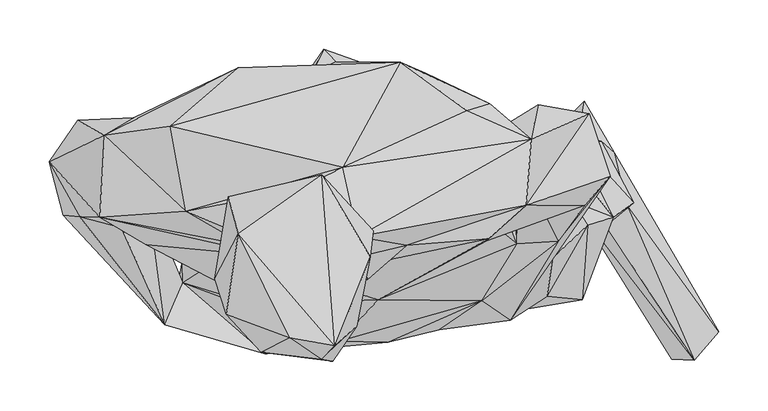
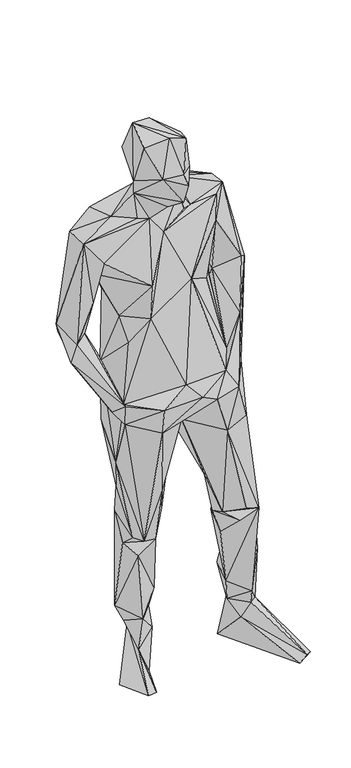
"""IFC4 building model written with IfcOpenShell, lengths in millimetres: geographic element geometry."""

from ifc_helpers import new_model, si_unit, origin, place, context, project, spatial, faceted_brep, source, transform, mapped, element, save


def geographic_element_a4f21ee1(model_context):
    return source(origin(), model_context, "Body", "Brep", [
        faceted_brep([(-43.8297386, -114.8015023, 1018.3272236), (101.6207623, -73.4053469, 990.178394), (-3.6756191, -72.394549, 1324.2982462), (137.7135349, -15.1780842, 1015.2736777), (179.6216346, -12.8313441, 1113.0208832), (6.1374762, -115.6032742, 961.5379453), (130.8601184, -93.6121631, 940.8665779), (58.5827038, -103.0385109, 929.2399172), (139.7603733, 67.9020128, 1224.1649476), (206.7818467, 24.05511, 1267.86445), (232.9544843, 53.6115275, 1240.9182634), (174.1001435, -29.7715046, 974.8105286), (96.6142479, -90.5757386, 806.2197466), (168.5594448, -68.8047624, 818.3786172), (211.4621971, 117.1482414, 1193.0444093), (147.1469384, 23.62393, 1529.4462253), (210.1100955, 80.4758658, 1116.519795), (106.8494381, -12.5142716, 1439.5946086), (107.4603634, 67.3738933, 1309.2069464), (109.1527553, -10.2331656, 1524.0217259), (95.5600354, 18.2064322, 1237.6203384), (-131.2074794, -77.1758845, 1241.1192502), (-77.2798946, -49.5067531, 1490.4019648), (25.2607927, -16.8139374, 1524.4023611), (-125.868751, -76.3710802, 1345.5846143), (-108.3540232, -28.5415851, 1532.7080299), (-17.3905248, -27.0147916, 1587.5230831), (-14.8882771, -51.9433648, 1543.5560751), (-24.0753067, -8.4064639, 1628.7951268), (-74.4827828, -67.6849104, 1580.8626218), (-144.6436924, -5.9143132, 1612.5727693), (-47.7123627, -107.011004, 1609.9937955), (-123.2796594, -126.4382734, 1722.2355391), (-25.6495622, -99.4254934, 1714.9883297), (-49.9964984, -135.5051233, 1681.5522701), (-11.901331, -28.759699, 1780.690052), (-47.940574, -119.6040347, 1825.9566797), (-8.7043502, -2.3760253, 1708.1177024), (-61.9604394, -133.0816431, 1721.4730765), (-93.9060065, -111.3237948, 1837.68139), (-61.421211, 54.6374724, 1791.8835657), (-146.6703397, -5.3690294, 1842.7039157), (-83.22551, 40.1621977, 1655.3140674), (-156.7045729, 32.5423587, 1745.0597071), (-158.9594166, -87.4999304, 1813.719131), (-170.8132902, -51.1304879, 1689.425686), (-200.2364074, 17.8065577, 1542.458396), (-139.7724879, -17.0360895, 1535.5706025), (-287.9807019, 11.5681019, 1486.1012514), (-39.86128, 62.4835036, 1605.2378218), (-216.1940608, 104.339114, 1526.2937357), (-283.1458712, 95.2298406, 1475.5328711), (18.5416804, 169.7287688, 1424.9517742), (-146.7066836, 164.0881131, 1407.2450225), (-310.4343078, 110.6341095, 1152.3581601), (-339.6514612, 68.3251164, 1210.8609527), (-253.1734078, 112.9919649, 1415.8848349), (-186.3569147, 91.2068549, 1260.245546), (-175.338132, 103.8968252, 1108.3404881), (-217.4411389, 80.4516291, 1322.5897387), (-178.8602747, 10.6320305, 1214.6365492), (-206.0386364, 64.4919715, 1047.2606291), (-46.9247283, 170.2235767, 1094.8195322), (76.6881546, 132.2738214, 948.5530736), (-149.2230725, 111.8559525, 871.1408865), (-206.5082018, 58.3716586, 860.360433), (-102.846651, 119.6595788, 856.9059266), (-105.1055403, 102.517462, 635.4559581), (-198.1421238, -2.5921194, 751.8105414), (-141.677959, 93.0163923, 599.3106887), (33.5975807, 89.0327905, 803.8760324), (-12.5173003, 34.5548573, 819.0107244), (-54.6718047, 108.0409871, 493.2297109), (-113.1464601, 123.9138081, 505.1552591), (-136.9541718, 10.6320305, 477.012539), (-141.1387307, 101.925722, 512.0177802), (-54.2951555, 165.1898006, 216.4152089), (-133.5299893, 113.2444055, 194.1150999), (-147.0641476, 47.6406658, 442.2264641), (-108.7771194, -0.178732, 462.396914), (-60.0075118, 23.1089403, 439.836288), (-112.8344373, 23.6835086, 402.5974224), (-118.5377077, -116.7079792, 887.8205309), (-71.353457, -30.8307703, 633.7918561), (-211.3541488, -75.6561598, 924.2980962), (-7.6996138, -25.4445743, 840.1324049), (-26.1251681, -3.478711, 789.9894617), (-27.9044114, 46.7157023, 515.2793463), (-37.3650896, 95.4540062, 418.1107529), (-24.4368088, 92.9527718, 226.5877696), (-39.3755729, 138.5465992, 112.9647032), (-28.1225253, 115.270047, 155.1495026), (-80.8080797, 51.8454158, 168.0242697), (-39.7239509, 76.3902729, 113.1868497), (-105.8204683, 114.7893802, 134.2550202), (-103.4999775, 37.5519018, 85.7964222), (-86.7860083, 127.4844094, 110.396816), (-25.0497476, 147.8184592, 95.431796), (-70.3557945, 38.3496317, 2.8819278), (-101.2633058, -54.8646741, 0.0), (-143.9045352, -86.925364, 23.0392643), (-170.408366, 22.8706316, 1.8923379), (-59.4834305, 183.1296362, 6.0577029), (-12.0931909, 166.4500067, 2.983916), (105.2236842, -48.3051085, 512.2268137), (100.1485052, 38.897946, 584.321432), (204.3018167, -72.4702841, 505.6359705), (161.5020613, -79.1803067, 523.4858925), (209.8920021, 3.5029456, 635.6437724), (172.8439608, 60.9385326, 822.919597), (236.0353292, 11.916478, 481.5091133), (189.8033148, 29.8300736, 606.2843129), (159.4047378, 114.6853701, 1168.7004422), (130.4683222, 67.2022319, 1015.8755654), (159.3380849, 126.4705791, 1233.7245789), (106.3546451, 93.4960309, 1340.3700424), (44.7274366, 158.4969441, 1334.4486787), (109.9494831, 127.2067114, 1476.9092616), (152.0716678, 91.0452891, 1514.4065431), (86.3346372, 120.1856718, 1530.5399706), (98.4954822, 94.8804531, 786.2462304), (113.8815791, 18.4063686, 474.8607219), (139.2433626, 48.7504223, 533.7716275), (204.4411723, 51.6636551, 503.366941), (192.9841465, 96.370897, 308.2915208), (131.6830947, 57.9293736, 446.3978653), (224.1158309, -0.3958359, 184.2767573), (257.0277421, 26.7128643, 296.8254351), (249.2705851, 25.5667583, 139.8249996), (154.4567775, 17.2602625, 231.1631115), (171.3080832, 41.66476, 153.2783638), (225.4154058, 7.8440131, 141.4063257), (223.5614481, 89.5699922, 226.5988858), (167.6425764, 87.9987616, 245.8322614), (199.7608071, 89.7446785, 132.1051849), (237.097618, 77.6726966, 148.5515517), (200.906915, 18.8809687, 96.6728169), (318.3500131, -134.2489554, 23.95918), (173.3508834, 96.7778328, 3.1464914), (295.5954932, -133.1654622, 4.4218506), (206.4889942, 130.0846024, 10.0514049), (343.8006597, -104.9752744, 6.7211319), (129.9230291, 3.9876429, 408.1582973), (147.2529751, -70.9667123, 484.7434699), (-119.571729, -127.6035591, 968.1853532), (-221.7054638, -97.7734911, 999.3867155), (-203.1587337, -55.3009019, 973.7644075), (-177.8949179, -38.9595437, 1158.6177206), (-240.4693037, -16.5210998, 1422.5251499), (-247.3146438, -69.3359068, 972.5526451), (-325.3266175, 13.7431806, 1109.5845562), (-297.4595689, 39.2937804, 1067.6027404), (-238.197279, 28.2255221, 1107.3922974), (-276.7145301, 24.9164567, 1184.0319487), (-308.0875835, 12.0083688, 1163.6857843), (-238.3224935, 65.1331834, 1078.4599648), (-260.6700627, 99.7385296, 1159.8799085), (-265.5473319, 0.6422236, 1292.1628792)], [[[0, 1, 2]], [[3, 2, 1]], [[1, 4, 3]], [[1, 0, 5]], [[6, 1, 7]], [[6, 4, 1]], [[1, 5, 7]], [[3, 4, 8]], [[9, 8, 4]], [[10, 9, 4]], [[6, 10, 4]], [[6, 11, 10]], [[7, 12, 6]], [[13, 11, 6]], [[6, 12, 13]], [[10, 14, 15]], [[16, 10, 11]], [[10, 15, 9]], [[16, 14, 10]], [[9, 17, 8]], [[15, 17, 9]], [[17, 18, 8]], [[19, 2, 17]], [[20, 17, 2]], [[17, 15, 19]], [[18, 17, 20]], [[3, 20, 2]], [[21, 0, 2]], [[22, 21, 2]], [[19, 22, 2]], [[19, 23, 22]], [[19, 15, 23]], [[24, 22, 25]], [[25, 22, 26]], [[24, 21, 22]], [[22, 23, 27]], [[27, 26, 22]], [[28, 23, 15]], [[26, 23, 28]], [[27, 23, 26]], [[29, 25, 26]], [[29, 26, 28]], [[29, 30, 25]], [[28, 31, 29]], [[29, 31, 30]], [[31, 32, 30]], [[28, 33, 31]], [[31, 33, 34]], [[31, 34, 32]], [[33, 35, 36]], [[37, 33, 28]], [[35, 33, 37]], [[34, 33, 38]], [[33, 36, 38]], [[34, 38, 32]], [[32, 38, 39]], [[39, 38, 36]], [[35, 40, 36]], [[41, 36, 40]], [[41, 39, 36]], [[40, 35, 37]], [[40, 37, 42]], [[37, 28, 42]], [[43, 41, 40]], [[43, 40, 42]], [[44, 39, 41]], [[45, 44, 41]], [[43, 45, 41]], [[32, 39, 44]], [[32, 44, 45]], [[43, 42, 45]], [[45, 42, 30]], [[32, 45, 30]], [[46, 47, 30]], [[46, 30, 42]], [[47, 25, 30]], [[47, 46, 48]], [[48, 25, 47]], [[46, 49, 50]], [[48, 46, 51]], [[46, 42, 49]], [[46, 50, 51]], [[49, 52, 50]], [[52, 53, 50]], [[53, 51, 50]], [[51, 54, 55]], [[51, 55, 48]], [[56, 51, 53]], [[51, 56, 54]], [[53, 57, 56]], [[53, 58, 57]], [[53, 52, 58]], [[54, 56, 59]], [[57, 59, 56]], [[59, 57, 60]], [[61, 60, 57]], [[57, 58, 61]], [[58, 52, 62]], [[61, 58, 62]], [[62, 63, 64]], [[62, 64, 61]], [[52, 63, 62]], [[64, 65, 61]], [[63, 66, 64]], [[65, 64, 66]], [[66, 67, 65]], [[65, 68, 61]], [[65, 69, 68]], [[69, 65, 67]], [[70, 66, 63]], [[67, 66, 71]], [[70, 71, 66]], [[72, 67, 71]], [[67, 72, 73]], [[67, 73, 69]], [[69, 74, 68]], [[75, 74, 69]], [[75, 69, 73]], [[73, 72, 76]], [[73, 76, 75]], [[77, 75, 76]], [[78, 75, 77]], [[75, 78, 74]], [[74, 78, 79]], [[79, 68, 74]], [[79, 78, 80]], [[81, 78, 77]], [[80, 78, 81]], [[82, 79, 83]], [[68, 79, 84]], [[82, 84, 79]], [[83, 79, 80]], [[82, 83, 85]], [[83, 86, 85]], [[86, 83, 87]], [[80, 87, 83]], [[72, 86, 87]], [[71, 86, 72]], [[85, 86, 71]], [[87, 80, 88]], [[87, 88, 72]], [[72, 88, 76]], [[88, 89, 76]], [[80, 89, 88]], [[90, 76, 91]], [[90, 77, 76]], [[89, 91, 76]], [[80, 81, 89]], [[89, 81, 92]], [[91, 89, 92]], [[90, 91, 93]], [[91, 92, 93]], [[81, 77, 92]], [[77, 94, 92]], [[92, 95, 93]], [[94, 95, 92]], [[94, 77, 90]], [[96, 95, 94]], [[96, 94, 90]], [[90, 97, 96]], [[97, 90, 93]], [[97, 93, 98]], [[95, 98, 93]], [[98, 95, 99]], [[95, 96, 100]], [[95, 100, 99]], [[101, 96, 102]], [[102, 96, 97]], [[100, 96, 101]], [[102, 97, 103]], [[103, 97, 98]], [[102, 98, 101]], [[103, 98, 102]], [[98, 100, 101]], [[98, 99, 100]], [[85, 104, 12]], [[7, 82, 85]], [[85, 105, 104]], [[71, 105, 85]], [[7, 85, 12]], [[12, 106, 13]], [[12, 107, 106]], [[12, 104, 107]], [[13, 108, 11]], [[106, 108, 13]], [[109, 11, 108]], [[110, 108, 106]], [[111, 108, 110]], [[111, 109, 108]], [[3, 11, 109]], [[16, 11, 3]], [[112, 16, 3]], [[112, 3, 8]], [[113, 18, 3]], [[109, 113, 3]], [[3, 18, 20]], [[112, 14, 16]], [[8, 114, 112]], [[114, 14, 112]], [[115, 8, 18]], [[115, 114, 8]], [[113, 116, 18]], [[115, 18, 116]], [[63, 116, 113]], [[63, 113, 109]], [[52, 117, 116]], [[52, 116, 63]], [[117, 115, 116]], [[115, 118, 114]], [[117, 118, 115]], [[114, 118, 14]], [[15, 14, 118]], [[49, 118, 119]], [[118, 28, 15]], [[49, 28, 118]], [[119, 118, 117]], [[119, 117, 52]], [[119, 52, 49]], [[49, 42, 28]], [[70, 63, 109]], [[70, 105, 71]], [[109, 120, 70]], [[120, 105, 70]], [[111, 105, 120]], [[105, 121, 104]], [[111, 122, 105]], [[105, 122, 121]], [[120, 109, 111]], [[123, 122, 111]], [[123, 111, 110]], [[124, 122, 123]], [[122, 124, 125]], [[121, 122, 125]], [[124, 123, 110]], [[126, 110, 106]], [[110, 126, 127]], [[127, 124, 110]], [[128, 127, 126]], [[106, 129, 126]], [[126, 129, 130]], [[126, 130, 131]], [[131, 128, 126]], [[132, 127, 128]], [[124, 127, 132]], [[133, 132, 134]], [[132, 135, 134]], [[132, 133, 124]], [[135, 132, 128]], [[124, 133, 129]], [[134, 130, 133]], [[130, 129, 133]], [[134, 136, 130]], [[131, 130, 136]], [[128, 131, 137]], [[131, 136, 137]], [[136, 138, 139]], [[134, 138, 136]], [[139, 137, 136]], [[135, 140, 134]], [[140, 138, 134]], [[140, 135, 141]], [[141, 135, 128]], [[141, 139, 140]], [[140, 139, 138]], [[139, 141, 137]], [[141, 128, 137]], [[142, 129, 106]], [[125, 124, 129]], [[142, 125, 129]], [[106, 143, 142]], [[104, 143, 106]], [[107, 104, 106]], [[121, 142, 143]], [[121, 125, 142]], [[121, 143, 104]], [[82, 7, 5]], [[82, 5, 144]], [[144, 5, 0]], [[84, 82, 144]], [[144, 145, 84]], [[146, 145, 144]], [[144, 0, 146]], [[146, 0, 21]], [[60, 21, 24]], [[147, 21, 60]], [[146, 21, 147]], [[148, 59, 24]], [[24, 25, 148]], [[24, 59, 60]], [[61, 147, 60]], [[61, 146, 147]], [[61, 68, 146]], [[68, 84, 146]], [[145, 149, 84]], [[146, 84, 149]], [[150, 151, 149]], [[145, 150, 149]], [[152, 146, 149]], [[151, 152, 149]], [[146, 152, 145]], [[152, 153, 145]], [[154, 150, 145]], [[153, 154, 145]], [[55, 150, 154]], [[151, 150, 55]], [[55, 54, 151]], [[54, 155, 151]], [[155, 152, 151]], [[156, 153, 152]], [[155, 156, 152]], [[153, 59, 157]], [[156, 59, 153]], [[154, 153, 157]], [[154, 48, 55]], [[157, 48, 154]], [[48, 157, 148]], [[59, 148, 157]], [[54, 59, 156]], [[54, 156, 155]], [[25, 48, 148]]]),
    ])


if __name__ == "__main__":
    model = new_model("IFC4")
    model_context = context("Model", 3, world=origin())
    ifc_project = project(units=[si_unit("LENGTHUNIT", "METRE", prefix="MILLI")], contexts=[model_context])
    site = spatial("IfcSite", under=ifc_project)
    building = spatial("IfcBuilding", under=site)
    placement = place(None, origin())
    geographic_element_shape = geographic_element_a4f21ee1(model_context)
    element("IfcGeographicElement", 1, at=placement, inside=building, context=model_context, shape_type="MappedRepresentation", body=[
        mapped(geographic_element_shape, transform((0.0, 0.0, 0.0), x_axis=(1.0, 0.0, 0.0), y_axis=(0.0, 1.0, 0.0), z_axis=(0.0, 0.0, 1.0))),
    ])
    save(model, "model.ifc")
